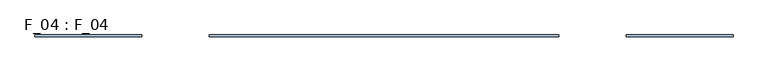
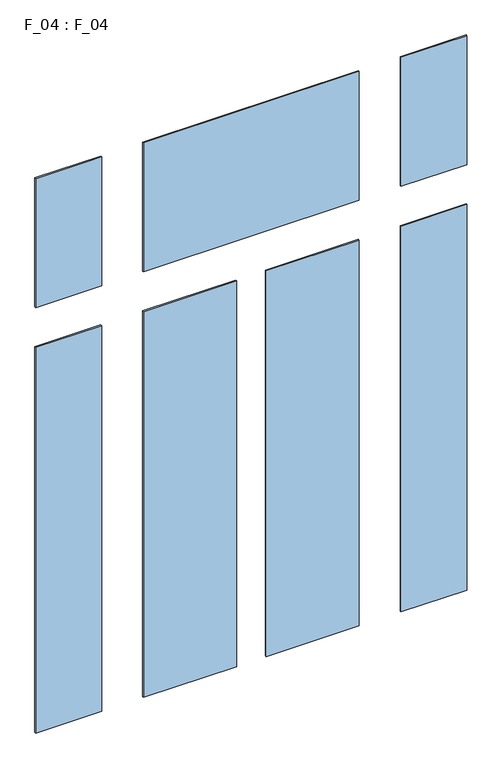
"""IFC4 building model written with IfcOpenShell, lengths in millimetres: window geometry, F_04 : F_04."""

import ifcopenshell
import ifcopenshell.guid

model = None  # the IFC model being written
_history = None  # IfcOwnerHistory: only IFC2X3 demands one
_inside = {}  # id of a spatial element -> (the spatial element, [elements in it])
_under = {}  # id of a project, library or spatial element -> (it, [spatial elements below it])
_declared = {}  # id of a project -> (the project, [libraries it declares])
_typed = {}  # id of a type object -> (the type object, [elements of that type])
_made_of = {}  # id of a material, layer set ... -> (it, [elements and type objects made of it])


def new_model(schema):
    """Start an empty IFC model of exactly this schema.

    Asked for "IFC4X3", IfcOpenShell would pick the latest addendum, in which some entities
    have other attributes; the version numbers below select the first issue.
    IFC2X3 requires an IfcOwnerHistory on every rooted entity: one is made here for all.
    """
    global model, _history
    if schema == "IFC4X3":
        model = ifcopenshell.file(schema_version=(4, 3, 0, 0))
    else:
        model = ifcopenshell.file(schema=schema)
    _inside.clear()
    _under.clear()
    _declared.clear()
    _typed.clear()
    _made_of.clear()
    _history = None
    if model.schema == "IFC2X3":
        org = make("IfcOrganization", Name="unknown")
        user = make(
            "IfcPersonAndOrganization",
            ThePerson=make("IfcPerson", FamilyName="unknown"),
            TheOrganization=org,
        )
        app = make(
            "IfcApplication",
            ApplicationDeveloper=org,
            Version="unknown",
            ApplicationFullName="unknown",
            ApplicationIdentifier="unknown",
        )
        _history = make(
            "IfcOwnerHistory",
            OwningUser=user,
            OwningApplication=app,
            ChangeAction="ADDED",
            CreationDate=0,
        )
    return model


def make(cls, **values):
    """One entity of the class cls with the attributes given. An attribute that is None is left unset."""
    return model.create_entity(
        cls, **{name: value for name, value in values.items() if value is not None}
    )


def rooted(cls, **values):
    """An entity with a GlobalId (a new one), such as an element, a storey or a relation."""
    return make(cls, GlobalId=ifcopenshell.guid.new(), OwnerHistory=_history, **values)


def si_unit(unit_type, name, prefix=None):
    """IfcSIUnit, for example si_unit("LENGTHUNIT", "METRE", prefix="MILLI")."""
    return make("IfcSIUnit", UnitType=unit_type, Prefix=prefix, Name=name)


def assignment(units):
    """IfcUnitAssignment: the units of a project."""
    return None if units is None else make("IfcUnitAssignment", Units=units)


def point(xyz):
    """IfcCartesianPoint."""
    return None if xyz is None else make("IfcCartesianPoint", Coordinates=xyz)


def direction(xyz):
    """IfcDirection."""
    return None if xyz is None else make("IfcDirection", DirectionRatios=xyz)


def frame(location, z_axis=None, x_axis=None):
    """IfcAxis2Placement3D, a coordinate frame: its origin and axes. An axis left out is left unset."""
    return make(
        "IfcAxis2Placement3D",
        Location=point(location),
        Axis=direction(z_axis),
        RefDirection=direction(x_axis),
    )


def origin():
    """The frame at (0, 0, 0) with its axes left unset."""
    return frame((0.0, 0.0, 0.0))


def place(relative_to, where):
    """IfcLocalPlacement: puts the frame where relative to a parent placement (None: the world)."""
    return make(
        "IfcLocalPlacement", PlacementRelTo=relative_to, RelativePlacement=where
    )


def context(
    kind, dimensions, precision=None, world=None, true_north=None, identifier=None
):
    """IfcGeometricRepresentationContext, for example the 3D "Model" context."""
    return make(
        "IfcGeometricRepresentationContext",
        ContextIdentifier=identifier,
        ContextType=kind,
        CoordinateSpaceDimension=dimensions,
        Precision=precision,
        WorldCoordinateSystem=world,
        TrueNorth=true_north,
    )


def project(units=None, contexts=None):
    """IfcProject with its units and contexts."""
    return rooted(
        "IfcProject",
        Name="project",
        RepresentationContexts=contexts,
        UnitsInContext=assignment(units),
    )


def spatial(cls, under=None, at=None, **own):
    """A site, building, storey or space (cls), placed at a placement, below another one or the project."""
    s = rooted(cls, ObjectPlacement=at, **own)
    if under is not None:
        _under.setdefault(under.id(), (under, []))[1].append(s)
    return s


def polyline(points):
    """IfcPolyline through the points."""
    return make("IfcPolyline", Points=[point(p) for p in points])


def outline(outer, holes=None, kind="AREA"):
    """IfcArbitraryClosedProfileDef: a profile drawn as a closed curve; with holes, ...WithVoids."""
    if holes is None:
        return make("IfcArbitraryClosedProfileDef", ProfileType=kind, OuterCurve=outer)
    return make(
        "IfcArbitraryProfileDefWithVoids",
        ProfileType=kind,
        OuterCurve=outer,
        InnerCurves=holes,
    )


def extrude(swept, where, along, depth):
    """IfcExtrudedAreaSolid: the profile swept, set in the frame where, extruded along a direction by depth."""
    return make(
        "IfcExtrudedAreaSolid",
        SweptArea=swept,
        Position=where,
        ExtrudedDirection=direction(along),
        Depth=depth,
    )


def shape(context_of_items, identifier, shape_type, items):
    """IfcShapeRepresentation: the items that make up one representation, for example the "Body"."""
    return make(
        "IfcShapeRepresentation",
        ContextOfItems=context_of_items,
        RepresentationIdentifier=identifier,
        RepresentationType=shape_type,
        Items=items,
    )


def source(mapping_origin, context_of_items, identifier, shape_type, items):
    """IfcRepresentationMap: a shape defined once, which mapped items show again and again."""
    return make(
        "IfcRepresentationMap",
        MappingOrigin=mapping_origin,
        MappedRepresentation=shape(context_of_items, identifier, shape_type, items),
    )


def transform(
    local_origin,
    x_axis=None,
    y_axis=None,
    z_axis=None,
    scale=None,
    scale2=None,
    scale3=None,
    uniform=True,
):
    """IfcCartesianTransformationOperator3D, or its non-uniform kind. x_axis, y_axis, z_axis: its Axis1, 2, 3."""
    if uniform:
        return make(
            "IfcCartesianTransformationOperator3D",
            Axis1=direction(x_axis),
            Axis2=direction(y_axis),
            LocalOrigin=point(local_origin),
            Scale=scale,
            Axis3=direction(z_axis),
        )
    return make(
        "IfcCartesianTransformationOperator3DnonUniform",
        Axis1=direction(x_axis),
        Axis2=direction(y_axis),
        LocalOrigin=point(local_origin),
        Scale=scale,
        Axis3=direction(z_axis),
        Scale2=scale2,
        Scale3=scale3,
    )


def mapped(mapping_source, mapping_target):
    """IfcMappedItem: shows the shape of a source again, moved by a transform."""
    return make(
        "IfcMappedItem", MappingSource=mapping_source, MappingTarget=mapping_target
    )


def made_of(thing, what):
    """Note that an element or type object is made of a material, layer set ...; save() writes the relation."""
    if what is not None:
        _made_of.setdefault(what.id(), (what, []))[1].append(thing)
    return thing


def element(
    cls,
    number,
    at=None,
    inside=None,
    cuts=None,
    type_object=None,
    material=None,
    context=None,
    identifier="Body",
    shape_type=None,
    held_by="IfcProductDefinitionShape",
    body=None,
    shapes=None,
    **own,
):
    """One element of the class cls, such as IfcWall. Its Tag is "e" and its number.

    at: its placement. inside: the storey or other place that contains it. cuts: it is an
    opening in that element (IfcRelVoidsElement). A single representation is given by context,
    identifier, shape_type and body (its items); several are given by shapes. held_by: the class
    of the entity that holds the representations. save() writes the other relations.
    """
    e = rooted(cls, Tag="e%d" % number, ObjectPlacement=at, **own)
    if body is not None:
        shapes = [shape(context, identifier, shape_type, body)]
    if shapes is not None:
        e.Representation = make(held_by, Representations=shapes)
    if inside is not None:
        _inside.setdefault(inside.id(), (inside, []))[1].append(e)
    if cuts is not None:
        rooted(
            "IfcRelVoidsElement", RelatingBuildingElement=cuts, RelatedOpeningElement=e
        )
    if type_object is not None:
        _typed.setdefault(type_object.id(), (type_object, []))[1].append(e)
    return made_of(e, material)


def aggregate(whole, parts):
    """IfcRelAggregates: a whole, such as a stair, and the parts it consists of."""
    return rooted("IfcRelAggregates", RelatingObject=whole, RelatedObjects=parts)


def save(model, path):
    """Write the relations noted so far, then the file.

    IfcRelAggregates (storeys below a building ...), IfcRelContainedInSpatialStructure (elements
    in a storey), IfcRelDefinesByType, IfcRelAssociatesMaterial and IfcRelDeclares: one each for
    every whole, place, type object, material and project.
    """
    for whole, parts in _under.values():
        aggregate(whole, parts)
    for where, things in _inside.values():
        rooted(
            "IfcRelContainedInSpatialStructure",
            RelatedElements=things,
            RelatingStructure=where,
        )
    for kind, things in _typed.values():
        rooted("IfcRelDefinesByType", RelatedObjects=things, RelatingType=kind)
    for what, things in _made_of.values():
        rooted("IfcRelAssociatesMaterial", RelatedObjects=things, RelatingMaterial=what)
    for by, libraries in _declared.values():
        rooted("IfcRelDeclares", RelatingContext=by, RelatedDefinitions=libraries)
    model.write(path)


def f_04_f_04_d7863a33(model_context):
    return source(origin(), model_context, "Body", "SweptSolid", [
        extrude(outline(polyline([(-500.0, 52.0), (-500.0, 48.0), (-719.9999997, 48.0), (-719.9999997, 52.0), (-500.0, 52.0)])), frame((0.0, 0.0, 3335.0000003), z_axis=(0.0, 0.0, 1.0), x_axis=(1.0, 0.0, 0.0)), (0.0, 0.0, 1.0), 454.9999997),
        extrude(outline(polyline([(360.0, 52.0), (360.0, 48.0), (-360.0, 48.0), (-360.0, 52.0), (360.0, 52.0)])), frame((0.0, 0.0, 3335.0000003), z_axis=(0.0, 0.0, 1.0), x_axis=(1.0, 0.0, 0.0)), (0.0, 0.0, 1.0), 454.9999997),
        extrude(outline(polyline([(719.9999997, 52.0), (719.9999997, 48.0), (500.0, 48.0), (500.0, 52.0), (719.9999997, 52.0)])), frame((0.0, 0.0, 3335.0000003), z_axis=(0.0, 0.0, 1.0), x_axis=(1.0, 0.0, 0.0)), (0.0, 0.0, 1.0), 454.9999997),
        extrude(outline(polyline([(-499.9999997, 52.0), (-499.9999997, 48.0), (-720.0, 48.0), (-720.0, 52.0), (-499.9999997, 52.0)])), frame((0.0, 0.0, 1835.0), z_axis=(0.0, 0.0, 1.0), x_axis=(1.0, 0.0, 0.0)), (0.0, 0.0, 1.0), 1360.0000007),
        extrude(outline(polyline([(-49.9999997, 52.0), (-49.9999997, 48.0), (-360.0000003, 48.0), (-360.0000003, 52.0), (-49.9999997, 52.0)])), frame((0.0, 0.0, 1835.0), z_axis=(0.0, 0.0, 1.0), x_axis=(1.0, 0.0, 0.0)), (0.0, 0.0, 1.0), 1360.0000007),
        extrude(outline(polyline([(360.0000003, 52.0), (360.0000003, 48.0), (49.9999997, 48.0), (49.9999997, 52.0), (360.0000003, 52.0)])), frame((0.0, 0.0, 1835.0), z_axis=(0.0, 0.0, 1.0), x_axis=(1.0, 0.0, 0.0)), (0.0, 0.0, 1.0), 1360.0000007),
        extrude(outline(polyline([(720.0, 52.0), (720.0, 48.0), (499.9999997, 48.0), (499.9999997, 52.0), (720.0, 52.0)])), frame((0.0, 0.0, 1835.0), z_axis=(0.0, 0.0, 1.0), x_axis=(1.0, 0.0, 0.0)), (0.0, 0.0, 1.0), 1360.0000007),
    ])


if __name__ == "__main__":
    model = new_model("IFC4")
    model_context = context("Model", 3, world=origin())
    ifc_project = project(units=[si_unit("LENGTHUNIT", "METRE", prefix="MILLI")], contexts=[model_context])
    site = spatial("IfcSite", under=ifc_project)
    building = spatial("IfcBuilding", under=site)
    placement = place(None, origin())
    f_04_f_04_shape = f_04_f_04_d7863a33(model_context)
    element("IfcWindow", 1, ObjectType="F_04 : F_04", at=placement, inside=building, context=model_context, shape_type="MappedRepresentation", body=[
        mapped(f_04_f_04_shape, transform((0.0, 0.0, 0.0), x_axis=(1.0, 0.0, 0.0), y_axis=(0.0, 1.0, 0.0), z_axis=(0.0, 0.0, 1.0))),
    ])
    save(model, "model.ifc")
